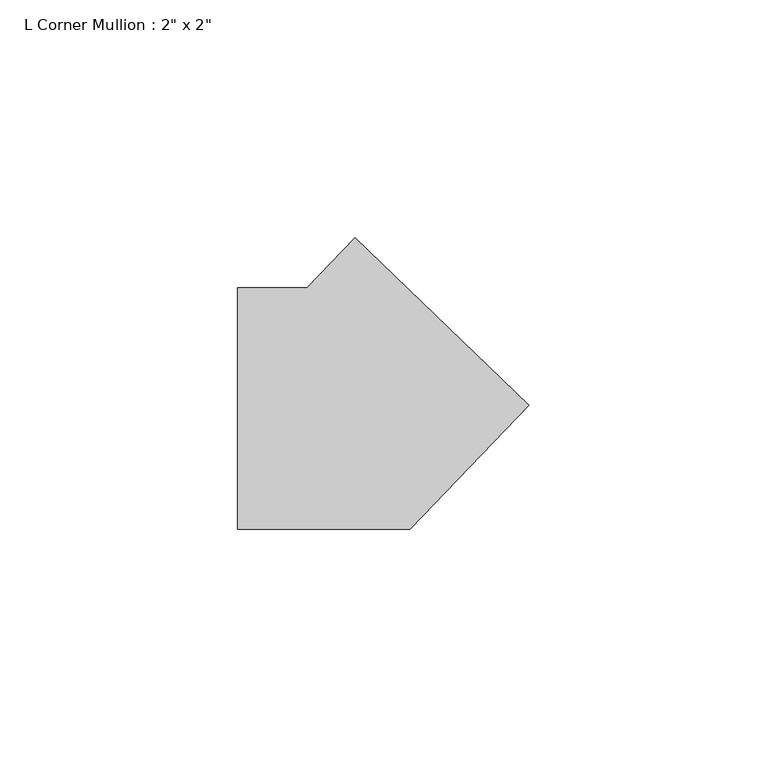
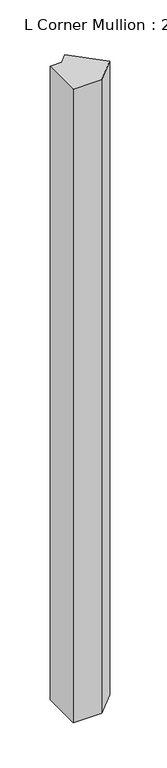
"""IFC4 building model written with IfcOpenShell, lengths in millimetres: member geometry."""

from ifc_helpers import new_model, si_unit, frame, origin, place, context, project, spatial, polyline, outline, extrude, source, transform, mapped, element, save


def member_d186f4ff(model_context):
    return source(origin(), model_context, "Body", "SweptSolid", [
        extrude(outline(polyline([(35.913317, 0.7440862), (10.8305964, -25.4), (-25.4, -25.4), (-25.4, 25.4), (-10.8305964, 25.4), (-0.7440862, 35.913317), (35.913317, 0.7440862)])), frame((0.0, 0.0, -851.8302866), z_axis=(0.0, 0.0, 1.0), x_axis=(1.0, 0.0, 0.0)), (0.0, 0.0, 1.0), 851.8302866),
    ])


if __name__ == "__main__":
    model = new_model("IFC4")
    model_context = context("Model", 3, world=origin())
    ifc_project = project(units=[si_unit("LENGTHUNIT", "METRE", prefix="MILLI")], contexts=[model_context])
    site = spatial("IfcSite", under=ifc_project)
    building = spatial("IfcBuilding", under=site)
    placement = place(None, origin())
    member_shape = member_d186f4ff(model_context)
    element("IfcMember", 1, ObjectType="L Corner Mullion : 2\" x 2\"", at=placement, inside=building, context=model_context, shape_type="MappedRepresentation", body=[
        mapped(member_shape, transform((0.0, 0.0, 0.0), x_axis=(1.0, 0.0, 0.0), y_axis=(0.0, 1.0, 0.0), z_axis=(0.0, 0.0, 1.0))),
    ])
    save(model, "model.ifc")
